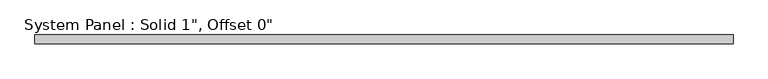
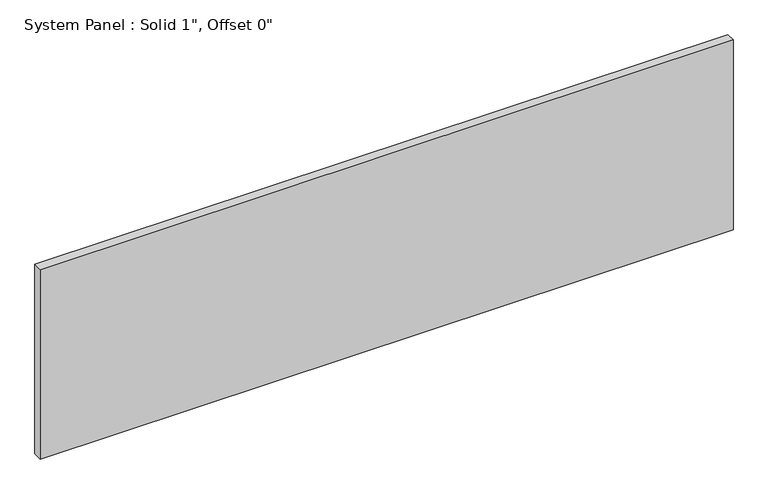
"""IFC4 building model written with IfcOpenShell, lengths in millimetres: plate geometry."""

from ifc_helpers import new_model, si_unit, origin, origin_with_axes, place, context, project, spatial, polyline, outline, extrude, source, transform, mapped, element, save


def plate_42caf76c(model_context):
    return source(origin(), model_context, "Body", "SweptSolid", [
        extrude(outline(polyline([(993.775, -12.7), (-993.775, -12.7), (-993.775, 12.7), (993.775, 12.7), (993.775, -12.7)])), origin_with_axes(), (0.0, 0.0, 1.0), 574.6032067),
    ])


if __name__ == "__main__":
    model = new_model("IFC4")
    model_context = context("Model", 3, world=origin())
    ifc_project = project(units=[si_unit("LENGTHUNIT", "METRE", prefix="MILLI")], contexts=[model_context])
    site = spatial("IfcSite", under=ifc_project)
    building = spatial("IfcBuilding", under=site)
    placement = place(None, origin())
    plate_shape = plate_42caf76c(model_context)
    element("IfcPlate", 1, ObjectType="System Panel : Solid 1\", Offset 0\"", at=placement, inside=building, context=model_context, shape_type="MappedRepresentation", body=[
        mapped(plate_shape, transform((0.0, 0.0, 0.0), x_axis=(1.0, 0.0, 0.0), y_axis=(0.0, 1.0, 0.0), z_axis=(0.0, 0.0, 1.0))),
    ])
    save(model, "model.ifc")
